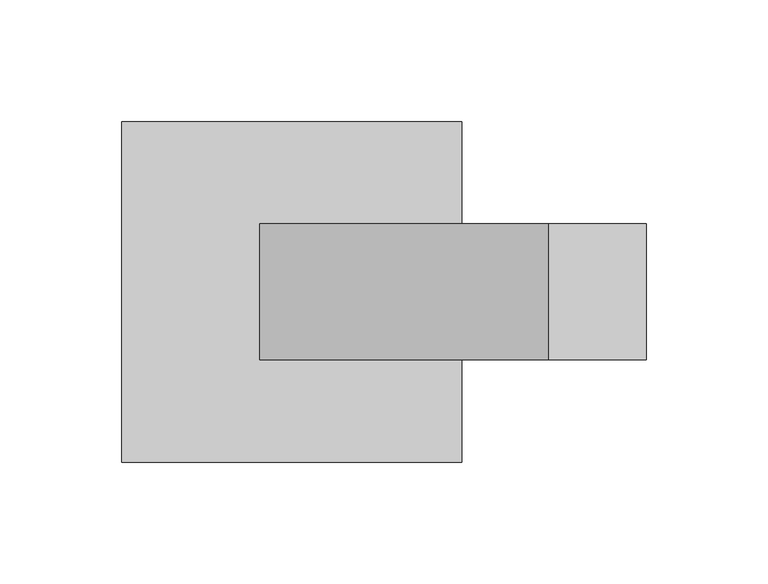
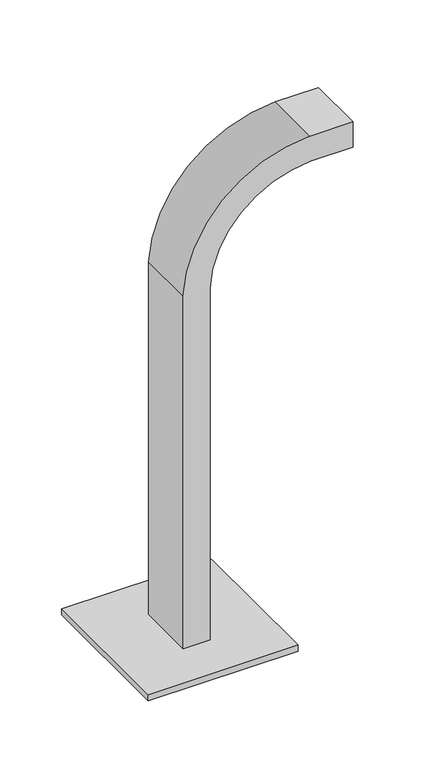
"""IFC4 building model written with IfcOpenShell, lengths in millimetres: furniture geometry."""

import ifcopenshell
import ifcopenshell.guid

model = None  # the IFC model being written
_history = None  # IfcOwnerHistory: only IFC2X3 demands one
_inside = {}  # id of a spatial element -> (the spatial element, [elements in it])
_under = {}  # id of a project, library or spatial element -> (it, [spatial elements below it])
_declared = {}  # id of a project -> (the project, [libraries it declares])
_typed = {}  # id of a type object -> (the type object, [elements of that type])
_made_of = {}  # id of a material, layer set ... -> (it, [elements and type objects made of it])


def new_model(schema):
    """Start an empty IFC model of exactly this schema.

    Asked for "IFC4X3", IfcOpenShell would pick the latest addendum, in which some entities
    have other attributes; the version numbers below select the first issue.
    IFC2X3 requires an IfcOwnerHistory on every rooted entity: one is made here for all.
    """
    global model, _history
    if schema == "IFC4X3":
        model = ifcopenshell.file(schema_version=(4, 3, 0, 0))
    else:
        model = ifcopenshell.file(schema=schema)
    _inside.clear()
    _under.clear()
    _declared.clear()
    _typed.clear()
    _made_of.clear()
    _history = None
    if model.schema == "IFC2X3":
        org = make("IfcOrganization", Name="unknown")
        user = make(
            "IfcPersonAndOrganization",
            ThePerson=make("IfcPerson", FamilyName="unknown"),
            TheOrganization=org,
        )
        app = make(
            "IfcApplication",
            ApplicationDeveloper=org,
            Version="unknown",
            ApplicationFullName="unknown",
            ApplicationIdentifier="unknown",
        )
        _history = make(
            "IfcOwnerHistory",
            OwningUser=user,
            OwningApplication=app,
            ChangeAction="ADDED",
            CreationDate=0,
        )
    return model


def make(cls, **values):
    """One entity of the class cls with the attributes given. An attribute that is None is left unset."""
    return model.create_entity(
        cls, **{name: value for name, value in values.items() if value is not None}
    )


def rooted(cls, **values):
    """An entity with a GlobalId (a new one), such as an element, a storey or a relation."""
    return make(cls, GlobalId=ifcopenshell.guid.new(), OwnerHistory=_history, **values)


def si_unit(unit_type, name, prefix=None):
    """IfcSIUnit, for example si_unit("LENGTHUNIT", "METRE", prefix="MILLI")."""
    return make("IfcSIUnit", UnitType=unit_type, Prefix=prefix, Name=name)


def assignment(units):
    """IfcUnitAssignment: the units of a project."""
    return None if units is None else make("IfcUnitAssignment", Units=units)


def point(xyz):
    """IfcCartesianPoint."""
    return None if xyz is None else make("IfcCartesianPoint", Coordinates=xyz)


def direction(xyz):
    """IfcDirection."""
    return None if xyz is None else make("IfcDirection", DirectionRatios=xyz)


def frame(location, z_axis=None, x_axis=None):
    """IfcAxis2Placement3D, a coordinate frame: its origin and axes. An axis left out is left unset."""
    return make(
        "IfcAxis2Placement3D",
        Location=point(location),
        Axis=direction(z_axis),
        RefDirection=direction(x_axis),
    )


def frame_2d(location, x_axis=None):
    """IfcAxis2Placement2D, a coordinate frame in the plane: its origin and x axis."""
    return make(
        "IfcAxis2Placement2D", Location=point(location), RefDirection=direction(x_axis)
    )


def origin():
    """The frame at (0, 0, 0) with its axes left unset."""
    return frame((0.0, 0.0, 0.0))


def origin_with_axes():
    """The frame at (0, 0, 0) with the z axis (0, 0, 1) and the x axis (1, 0, 0) written out."""
    return frame((0.0, 0.0, 0.0), z_axis=(0.0, 0.0, 1.0), x_axis=(1.0, 0.0, 0.0))


def place(relative_to, where):
    """IfcLocalPlacement: puts the frame where relative to a parent placement (None: the world)."""
    return make(
        "IfcLocalPlacement", PlacementRelTo=relative_to, RelativePlacement=where
    )


def context(
    kind, dimensions, precision=None, world=None, true_north=None, identifier=None
):
    """IfcGeometricRepresentationContext, for example the 3D "Model" context."""
    return make(
        "IfcGeometricRepresentationContext",
        ContextIdentifier=identifier,
        ContextType=kind,
        CoordinateSpaceDimension=dimensions,
        Precision=precision,
        WorldCoordinateSystem=world,
        TrueNorth=true_north,
    )


def project(units=None, contexts=None):
    """IfcProject with its units and contexts."""
    return rooted(
        "IfcProject",
        Name="project",
        RepresentationContexts=contexts,
        UnitsInContext=assignment(units),
    )


def spatial(cls, under=None, at=None, **own):
    """A site, building, storey or space (cls), placed at a placement, below another one or the project."""
    s = rooted(cls, ObjectPlacement=at, **own)
    if under is not None:
        _under.setdefault(under.id(), (under, []))[1].append(s)
    return s


def polyline(points):
    """IfcPolyline through the points."""
    return make("IfcPolyline", Points=[point(p) for p in points])


def circle_curve(where, radius):
    """IfcCircle in the frame where."""
    return make("IfcCircle", Position=where, Radius=radius)


def trimmed(basis, trim1, trim2, sense, master):
    """IfcTrimmedCurve: the piece of a basis curve between two trims."""
    return make(
        "IfcTrimmedCurve",
        BasisCurve=basis,
        Trim1=trim1,
        Trim2=trim2,
        SenseAgreement=sense,
        MasterRepresentation=master,
    )


def segment(curve, same_sense, transition):
    """IfcCompositeCurveSegment."""
    return make(
        "IfcCompositeCurveSegment",
        Transition=transition,
        SameSense=same_sense,
        ParentCurve=curve,
    )


def composite_curve(segments, self_intersect=None):
    """IfcCompositeCurve: segments joined end to end."""
    return make("IfcCompositeCurve", Segments=segments, SelfIntersect=self_intersect)


def outline(outer, holes=None, kind="AREA"):
    """IfcArbitraryClosedProfileDef: a profile drawn as a closed curve; with holes, ...WithVoids."""
    if holes is None:
        return make("IfcArbitraryClosedProfileDef", ProfileType=kind, OuterCurve=outer)
    return make(
        "IfcArbitraryProfileDefWithVoids",
        ProfileType=kind,
        OuterCurve=outer,
        InnerCurves=holes,
    )


def extrude(swept, where, along, depth):
    """IfcExtrudedAreaSolid: the profile swept, set in the frame where, extruded along a direction by depth."""
    return make(
        "IfcExtrudedAreaSolid",
        SweptArea=swept,
        Position=where,
        ExtrudedDirection=direction(along),
        Depth=depth,
    )


def shape(context_of_items, identifier, shape_type, items):
    """IfcShapeRepresentation: the items that make up one representation, for example the "Body"."""
    return make(
        "IfcShapeRepresentation",
        ContextOfItems=context_of_items,
        RepresentationIdentifier=identifier,
        RepresentationType=shape_type,
        Items=items,
    )


def source(mapping_origin, context_of_items, identifier, shape_type, items):
    """IfcRepresentationMap: a shape defined once, which mapped items show again and again."""
    return make(
        "IfcRepresentationMap",
        MappingOrigin=mapping_origin,
        MappedRepresentation=shape(context_of_items, identifier, shape_type, items),
    )


def transform(
    local_origin,
    x_axis=None,
    y_axis=None,
    z_axis=None,
    scale=None,
    scale2=None,
    scale3=None,
    uniform=True,
):
    """IfcCartesianTransformationOperator3D, or its non-uniform kind. x_axis, y_axis, z_axis: its Axis1, 2, 3."""
    if uniform:
        return make(
            "IfcCartesianTransformationOperator3D",
            Axis1=direction(x_axis),
            Axis2=direction(y_axis),
            LocalOrigin=point(local_origin),
            Scale=scale,
            Axis3=direction(z_axis),
        )
    return make(
        "IfcCartesianTransformationOperator3DnonUniform",
        Axis1=direction(x_axis),
        Axis2=direction(y_axis),
        LocalOrigin=point(local_origin),
        Scale=scale,
        Axis3=direction(z_axis),
        Scale2=scale2,
        Scale3=scale3,
    )


def mapped(mapping_source, mapping_target):
    """IfcMappedItem: shows the shape of a source again, moved by a transform."""
    return make(
        "IfcMappedItem", MappingSource=mapping_source, MappingTarget=mapping_target
    )


def made_of(thing, what):
    """Note that an element or type object is made of a material, layer set ...; save() writes the relation."""
    if what is not None:
        _made_of.setdefault(what.id(), (what, []))[1].append(thing)
    return thing


def element(
    cls,
    number,
    at=None,
    inside=None,
    cuts=None,
    type_object=None,
    material=None,
    context=None,
    identifier="Body",
    shape_type=None,
    held_by="IfcProductDefinitionShape",
    body=None,
    shapes=None,
    **own,
):
    """One element of the class cls, such as IfcWall. Its Tag is "e" and its number.

    at: its placement. inside: the storey or other place that contains it. cuts: it is an
    opening in that element (IfcRelVoidsElement). A single representation is given by context,
    identifier, shape_type and body (its items); several are given by shapes. held_by: the class
    of the entity that holds the representations. save() writes the other relations.
    """
    e = rooted(cls, Tag="e%d" % number, ObjectPlacement=at, **own)
    if body is not None:
        shapes = [shape(context, identifier, shape_type, body)]
    if shapes is not None:
        e.Representation = make(held_by, Representations=shapes)
    if inside is not None:
        _inside.setdefault(inside.id(), (inside, []))[1].append(e)
    if cuts is not None:
        rooted(
            "IfcRelVoidsElement", RelatingBuildingElement=cuts, RelatedOpeningElement=e
        )
    if type_object is not None:
        _typed.setdefault(type_object.id(), (type_object, []))[1].append(e)
    return made_of(e, material)


def aggregate(whole, parts):
    """IfcRelAggregates: a whole, such as a stair, and the parts it consists of."""
    return rooted("IfcRelAggregates", RelatingObject=whole, RelatedObjects=parts)


def save(model, path):
    """Write the relations noted so far, then the file.

    IfcRelAggregates (storeys below a building ...), IfcRelContainedInSpatialStructure (elements
    in a storey), IfcRelDefinesByType, IfcRelAssociatesMaterial and IfcRelDeclares: one each for
    every whole, place, type object, material and project.
    """
    for whole, parts in _under.values():
        aggregate(whole, parts)
    for where, things in _inside.values():
        rooted(
            "IfcRelContainedInSpatialStructure",
            RelatedElements=things,
            RelatingStructure=where,
        )
    for kind, things in _typed.values():
        rooted("IfcRelDefinesByType", RelatedObjects=things, RelatingType=kind)
    for what, things in _made_of.values():
        rooted("IfcRelAssociatesMaterial", RelatedObjects=things, RelatingMaterial=what)
    for by, libraries in _declared.values():
        rooted("IfcRelDeclares", RelatingContext=by, RelatedDefinitions=libraries)
    model.write(path)


def furniture_2d0582a6(model_context):
    return source(origin(), model_context, "Body", "SweptSolid", [
        extrude(outline(composite_curve([segment(polyline([(359.4420469, -433.0547414), (11.0, -433.0547414), (11.0, -408.0547414), (358.7575366, -408.0547414)]), True, "CONTINUOUS"), segment(trimmed(circle_curve(frame_2d((353.0696692, -310.1651072)), 98.0547414), [point((358.7575366, -408.0547414))], [point((451.0547414, -313.8607731))], True, "CARTESIAN"), True, "CONTINUOUS"), segment(polyline([(451.0547414, -313.8607731), (451.0547414, -274.0794885), (476.0547414, -274.0794885), (476.0547414, -314.3053257)]), True, "CONTINUOUS"), segment(trimmed(circle_curve(frame_2d((353.0696692, -310.1651072)), 123.0547414), [point((476.0547414, -314.3053257))], [point((359.4420469, -433.0547414))], False, "CARTESIAN"), True, "CONTINUOUS")], self_intersect=False)), frame((0.0, -27.920928, 0.0), z_axis=(0.0, 1.0, 0.0), x_axis=(0.0, 0.0, 1.0)), (0.0, 0.0, 1.0), 55.8418559),
        extrude(outline(composite_curve([segment(trimmed(circle_curve(frame_2d((-478.0500045, -58.0314537)), 5.0), [point((-483.0500045, -58.0314537))], [point((-473.0500045, -58.0314537))], False, "CARTESIAN"), True, "CONTINUOUS"), segment(trimmed(circle_curve(frame_2d((-478.0500045, -58.0314537)), 5.0), [point((-473.0500045, -58.0314537))], [point((-483.0500045, -58.0314537))], False, "CARTESIAN"), True, "CONTINUOUS")], self_intersect=False)), origin_with_axes(), (0.0, 0.0, 1.0), 5.0),
        extrude(outline(composite_curve([segment(trimmed(circle_curve(frame_2d((-361.9499955, -58.0314537)), 5.0), [point((-366.9499955, -58.0314537))], [point((-356.9499955, -58.0314537))], False, "CARTESIAN"), True, "CONTINUOUS"), segment(trimmed(circle_curve(frame_2d((-361.9499955, -58.0314537)), 5.0), [point((-356.9499955, -58.0314537))], [point((-366.9499955, -58.0314537))], False, "CARTESIAN"), True, "CONTINUOUS")], self_intersect=False)), origin_with_axes(), (0.0, 0.0, 1.0), 5.0),
        extrude(outline(composite_curve([segment(trimmed(circle_curve(frame_2d((-478.0500045, 58.0314537)), 5.0), [point((-483.0500045, 58.0314537))], [point((-473.0500045, 58.0314537))], False, "CARTESIAN"), True, "CONTINUOUS"), segment(trimmed(circle_curve(frame_2d((-478.0500045, 58.0314537)), 5.0), [point((-473.0500045, 58.0314537))], [point((-483.0500045, 58.0314537))], False, "CARTESIAN"), True, "CONTINUOUS")], self_intersect=False)), origin_with_axes(), (0.0, 0.0, 1.0), 5.0),
        extrude(outline(composite_curve([segment(trimmed(circle_curve(frame_2d((-361.9499955, 58.0314537)), 5.0), [point((-366.9499955, 58.0314537))], [point((-356.9499955, 58.0314537))], False, "CARTESIAN"), True, "CONTINUOUS"), segment(trimmed(circle_curve(frame_2d((-361.9499955, 58.0314537)), 5.0), [point((-356.9499955, 58.0314537))], [point((-366.9499955, 58.0314537))], False, "CARTESIAN"), True, "CONTINUOUS")], self_intersect=False)), origin_with_axes(), (0.0, 0.0, 1.0), 5.0),
        extrude(outline(polyline([(-350.0, -70.0), (-490.0, -70.0), (-490.0, 70.0), (-350.0, 70.0), (-350.0, -70.0)])), frame((0.0, 0.0, 5.0), z_axis=(0.0, 0.0, 1.0), x_axis=(1.0, 0.0, 0.0)), (0.0, 0.0, 1.0), 6.0),
    ])


if __name__ == "__main__":
    model = new_model("IFC4")
    model_context = context("Model", 3, world=origin())
    ifc_project = project(units=[si_unit("LENGTHUNIT", "METRE", prefix="MILLI")], contexts=[model_context])
    site = spatial("IfcSite", under=ifc_project)
    building = spatial("IfcBuilding", under=site)
    placement = place(None, origin())
    furniture_shape = furniture_2d0582a6(model_context)
    element("IfcFurniture", 1, at=placement, inside=building, context=model_context, shape_type="MappedRepresentation", body=[
        mapped(furniture_shape, transform((0.0, 0.0, 0.0), x_axis=(1.0, 0.0, 0.0), y_axis=(0.0, 1.0, 0.0), z_axis=(0.0, 0.0, 1.0))),
    ])
    save(model, "model.ifc")
